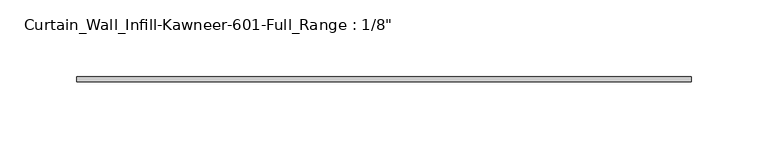
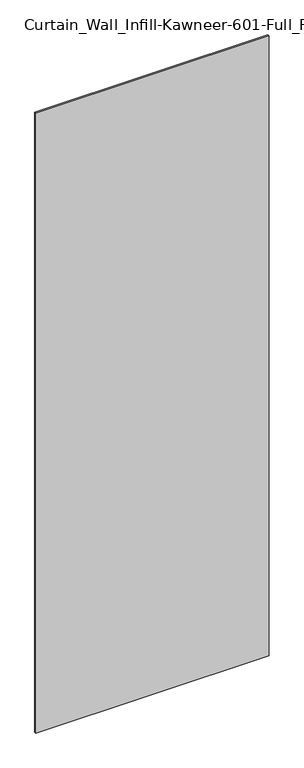
"""IFC4 building model written with IfcOpenShell, lengths in millimetres: plate geometry."""

import ifcopenshell
import ifcopenshell.guid

model = None  # the IFC model being written
_history = None  # IfcOwnerHistory: only IFC2X3 demands one
_inside = {}  # id of a spatial element -> (the spatial element, [elements in it])
_under = {}  # id of a project, library or spatial element -> (it, [spatial elements below it])
_declared = {}  # id of a project -> (the project, [libraries it declares])
_typed = {}  # id of a type object -> (the type object, [elements of that type])
_made_of = {}  # id of a material, layer set ... -> (it, [elements and type objects made of it])


def new_model(schema):
    """Start an empty IFC model of exactly this schema.

    Asked for "IFC4X3", IfcOpenShell would pick the latest addendum, in which some entities
    have other attributes; the version numbers below select the first issue.
    IFC2X3 requires an IfcOwnerHistory on every rooted entity: one is made here for all.
    """
    global model, _history
    if schema == "IFC4X3":
        model = ifcopenshell.file(schema_version=(4, 3, 0, 0))
    else:
        model = ifcopenshell.file(schema=schema)
    _inside.clear()
    _under.clear()
    _declared.clear()
    _typed.clear()
    _made_of.clear()
    _history = None
    if model.schema == "IFC2X3":
        org = make("IfcOrganization", Name="unknown")
        user = make(
            "IfcPersonAndOrganization",
            ThePerson=make("IfcPerson", FamilyName="unknown"),
            TheOrganization=org,
        )
        app = make(
            "IfcApplication",
            ApplicationDeveloper=org,
            Version="unknown",
            ApplicationFullName="unknown",
            ApplicationIdentifier="unknown",
        )
        _history = make(
            "IfcOwnerHistory",
            OwningUser=user,
            OwningApplication=app,
            ChangeAction="ADDED",
            CreationDate=0,
        )
    return model


def make(cls, **values):
    """One entity of the class cls with the attributes given. An attribute that is None is left unset."""
    return model.create_entity(
        cls, **{name: value for name, value in values.items() if value is not None}
    )


def rooted(cls, **values):
    """An entity with a GlobalId (a new one), such as an element, a storey or a relation."""
    return make(cls, GlobalId=ifcopenshell.guid.new(), OwnerHistory=_history, **values)


def si_unit(unit_type, name, prefix=None):
    """IfcSIUnit, for example si_unit("LENGTHUNIT", "METRE", prefix="MILLI")."""
    return make("IfcSIUnit", UnitType=unit_type, Prefix=prefix, Name=name)


def assignment(units):
    """IfcUnitAssignment: the units of a project."""
    return None if units is None else make("IfcUnitAssignment", Units=units)


def point(xyz):
    """IfcCartesianPoint."""
    return None if xyz is None else make("IfcCartesianPoint", Coordinates=xyz)


def direction(xyz):
    """IfcDirection."""
    return None if xyz is None else make("IfcDirection", DirectionRatios=xyz)


def frame(location, z_axis=None, x_axis=None):
    """IfcAxis2Placement3D, a coordinate frame: its origin and axes. An axis left out is left unset."""
    return make(
        "IfcAxis2Placement3D",
        Location=point(location),
        Axis=direction(z_axis),
        RefDirection=direction(x_axis),
    )


def origin():
    """The frame at (0, 0, 0) with its axes left unset."""
    return frame((0.0, 0.0, 0.0))


def origin_with_axes():
    """The frame at (0, 0, 0) with the z axis (0, 0, 1) and the x axis (1, 0, 0) written out."""
    return frame((0.0, 0.0, 0.0), z_axis=(0.0, 0.0, 1.0), x_axis=(1.0, 0.0, 0.0))


def place(relative_to, where):
    """IfcLocalPlacement: puts the frame where relative to a parent placement (None: the world)."""
    return make(
        "IfcLocalPlacement", PlacementRelTo=relative_to, RelativePlacement=where
    )


def context(
    kind, dimensions, precision=None, world=None, true_north=None, identifier=None
):
    """IfcGeometricRepresentationContext, for example the 3D "Model" context."""
    return make(
        "IfcGeometricRepresentationContext",
        ContextIdentifier=identifier,
        ContextType=kind,
        CoordinateSpaceDimension=dimensions,
        Precision=precision,
        WorldCoordinateSystem=world,
        TrueNorth=true_north,
    )


def project(units=None, contexts=None):
    """IfcProject with its units and contexts."""
    return rooted(
        "IfcProject",
        Name="project",
        RepresentationContexts=contexts,
        UnitsInContext=assignment(units),
    )


def spatial(cls, under=None, at=None, **own):
    """A site, building, storey or space (cls), placed at a placement, below another one or the project."""
    s = rooted(cls, ObjectPlacement=at, **own)
    if under is not None:
        _under.setdefault(under.id(), (under, []))[1].append(s)
    return s


def polyline(points):
    """IfcPolyline through the points."""
    return make("IfcPolyline", Points=[point(p) for p in points])


def outline(outer, holes=None, kind="AREA"):
    """IfcArbitraryClosedProfileDef: a profile drawn as a closed curve; with holes, ...WithVoids."""
    if holes is None:
        return make("IfcArbitraryClosedProfileDef", ProfileType=kind, OuterCurve=outer)
    return make(
        "IfcArbitraryProfileDefWithVoids",
        ProfileType=kind,
        OuterCurve=outer,
        InnerCurves=holes,
    )


def extrude(swept, where, along, depth):
    """IfcExtrudedAreaSolid: the profile swept, set in the frame where, extruded along a direction by depth."""
    return make(
        "IfcExtrudedAreaSolid",
        SweptArea=swept,
        Position=where,
        ExtrudedDirection=direction(along),
        Depth=depth,
    )


def shape(context_of_items, identifier, shape_type, items):
    """IfcShapeRepresentation: the items that make up one representation, for example the "Body"."""
    return make(
        "IfcShapeRepresentation",
        ContextOfItems=context_of_items,
        RepresentationIdentifier=identifier,
        RepresentationType=shape_type,
        Items=items,
    )


def source(mapping_origin, context_of_items, identifier, shape_type, items):
    """IfcRepresentationMap: a shape defined once, which mapped items show again and again."""
    return make(
        "IfcRepresentationMap",
        MappingOrigin=mapping_origin,
        MappedRepresentation=shape(context_of_items, identifier, shape_type, items),
    )


def transform(
    local_origin,
    x_axis=None,
    y_axis=None,
    z_axis=None,
    scale=None,
    scale2=None,
    scale3=None,
    uniform=True,
):
    """IfcCartesianTransformationOperator3D, or its non-uniform kind. x_axis, y_axis, z_axis: its Axis1, 2, 3."""
    if uniform:
        return make(
            "IfcCartesianTransformationOperator3D",
            Axis1=direction(x_axis),
            Axis2=direction(y_axis),
            LocalOrigin=point(local_origin),
            Scale=scale,
            Axis3=direction(z_axis),
        )
    return make(
        "IfcCartesianTransformationOperator3DnonUniform",
        Axis1=direction(x_axis),
        Axis2=direction(y_axis),
        LocalOrigin=point(local_origin),
        Scale=scale,
        Axis3=direction(z_axis),
        Scale2=scale2,
        Scale3=scale3,
    )


def mapped(mapping_source, mapping_target):
    """IfcMappedItem: shows the shape of a source again, moved by a transform."""
    return make(
        "IfcMappedItem", MappingSource=mapping_source, MappingTarget=mapping_target
    )


def made_of(thing, what):
    """Note that an element or type object is made of a material, layer set ...; save() writes the relation."""
    if what is not None:
        _made_of.setdefault(what.id(), (what, []))[1].append(thing)
    return thing


def element(
    cls,
    number,
    at=None,
    inside=None,
    cuts=None,
    type_object=None,
    material=None,
    context=None,
    identifier="Body",
    shape_type=None,
    held_by="IfcProductDefinitionShape",
    body=None,
    shapes=None,
    **own,
):
    """One element of the class cls, such as IfcWall. Its Tag is "e" and its number.

    at: its placement. inside: the storey or other place that contains it. cuts: it is an
    opening in that element (IfcRelVoidsElement). A single representation is given by context,
    identifier, shape_type and body (its items); several are given by shapes. held_by: the class
    of the entity that holds the representations. save() writes the other relations.
    """
    e = rooted(cls, Tag="e%d" % number, ObjectPlacement=at, **own)
    if body is not None:
        shapes = [shape(context, identifier, shape_type, body)]
    if shapes is not None:
        e.Representation = make(held_by, Representations=shapes)
    if inside is not None:
        _inside.setdefault(inside.id(), (inside, []))[1].append(e)
    if cuts is not None:
        rooted(
            "IfcRelVoidsElement", RelatingBuildingElement=cuts, RelatedOpeningElement=e
        )
    if type_object is not None:
        _typed.setdefault(type_object.id(), (type_object, []))[1].append(e)
    return made_of(e, material)


def aggregate(whole, parts):
    """IfcRelAggregates: a whole, such as a stair, and the parts it consists of."""
    return rooted("IfcRelAggregates", RelatingObject=whole, RelatedObjects=parts)


def save(model, path):
    """Write the relations noted so far, then the file.

    IfcRelAggregates (storeys below a building ...), IfcRelContainedInSpatialStructure (elements
    in a storey), IfcRelDefinesByType, IfcRelAssociatesMaterial and IfcRelDeclares: one each for
    every whole, place, type object, material and project.
    """
    for whole, parts in _under.values():
        aggregate(whole, parts)
    for where, things in _inside.values():
        rooted(
            "IfcRelContainedInSpatialStructure",
            RelatedElements=things,
            RelatingStructure=where,
        )
    for kind, things in _typed.values():
        rooted("IfcRelDefinesByType", RelatedObjects=things, RelatingType=kind)
    for what, things in _made_of.values():
        rooted("IfcRelAssociatesMaterial", RelatedObjects=things, RelatingMaterial=what)
    for by, libraries in _declared.values():
        rooted("IfcRelDeclares", RelatingContext=by, RelatedDefinitions=libraries)
    model.write(path)


def plate_8ecf5ae5(model_context):
    return source(origin(), model_context, "Body", "SweptSolid", [
        extrude(outline(polyline([(-200.025, 11.1125), (200.025, 11.1125), (200.025, 7.9375), (-200.025, 7.9375), (-200.025, 11.1125)])), origin_with_axes(), (0.0, 0.0, 1.0), 1123.95),
    ])


if __name__ == "__main__":
    model = new_model("IFC4")
    model_context = context("Model", 3, world=origin())
    ifc_project = project(units=[si_unit("LENGTHUNIT", "METRE", prefix="MILLI")], contexts=[model_context])
    site = spatial("IfcSite", under=ifc_project)
    building = spatial("IfcBuilding", under=site)
    placement = place(None, origin())
    plate_shape = plate_8ecf5ae5(model_context)
    element("IfcPlate", 1, ObjectType="Curtain_Wall_Infill-Kawneer-601-Full_Range : 1/8\"", at=placement, inside=building, context=model_context, shape_type="MappedRepresentation", body=[
        mapped(plate_shape, transform((0.0, 0.0, 0.0), x_axis=(1.0, 0.0, 0.0), y_axis=(0.0, 1.0, 0.0), z_axis=(0.0, 0.0, 1.0))),
    ])
    save(model, "model.ifc")
